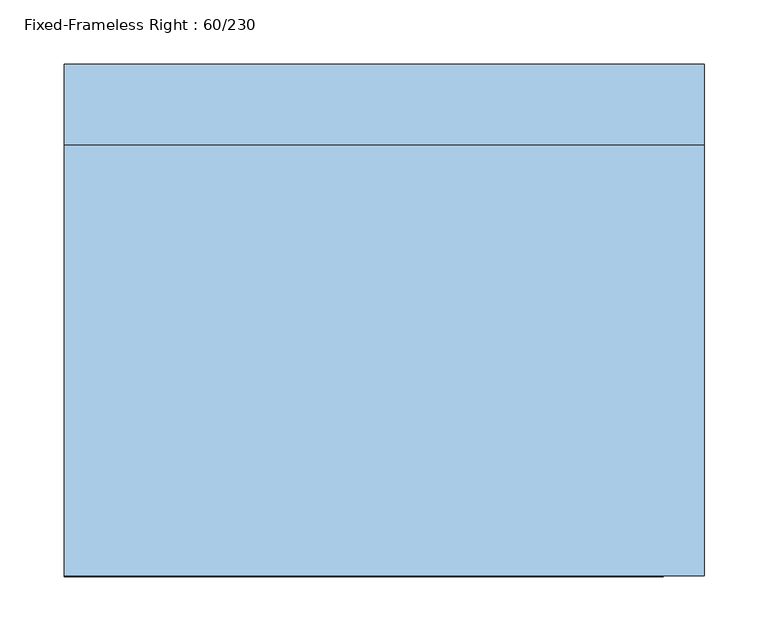
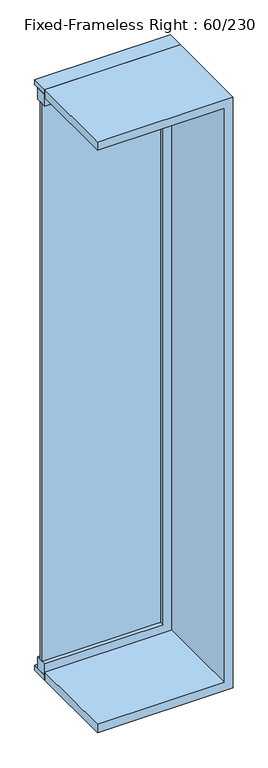
"""IFC4 building model written with IfcOpenShell, lengths in millimetres: window geometry, Fixed-Frameless Right : 60/230."""

from ifc_helpers import new_model, si_unit, frame, origin, place, context, project, spatial, polyline, outline, extrude, source, transform, mapped, element, save


def fixed_frameless_right_60_230_7998acf6(model_context):
    return source(origin(), model_context, "Body", "SweptSolid", [
        extrude(outline(polyline([(148.4, 152.375), (-288.1, 152.375), (-288.1, 165.075), (148.4, 165.075), (148.4, 152.375)])), frame((0.0, 0.0, 977.9), z_axis=(0.0, 0.0, 1.0), x_axis=(1.0, 0.0, 0.0)), (0.0, 0.0, 1.0), 2173.0),
        extrude(outline(polyline([(3195.35, -288.1), (3150.9, -288.1), (3150.9, 148.4), (977.9, 148.4), (977.9, -288.1), (933.45, -288.1), (933.45, 192.85), (3195.35, 192.85), (3195.35, -288.1)])), frame((0.0, 136.5, 0.0), z_axis=(0.0, 1.0, 0.0), x_axis=(0.0, 0.0, 1.0)), (0.0, 0.0, 1.0), 44.45),
        extrude(outline(polyline([(3214.4, -288.1), (3182.65, -288.1), (3182.65, 180.15), (946.15, 180.15), (946.15, -288.1), (914.4, -288.1), (914.4, 211.9), (3214.4, 211.9), (3214.4, -288.1)])), frame((0.0, -200.0, 0.0), z_axis=(0.0, 1.0, 0.0), x_axis=(0.0, 0.0, 1.0)), (0.0, 0.0, 1.0), 336.5),
        extrude(outline(polyline([(3214.4, 211.9), (3214.4, -288.1), (3195.35, -288.1), (3195.35, 192.85), (933.45, 192.85), (933.45, -288.1), (914.4, -288.1), (914.4, 211.9), (3214.4, 211.9)])), frame((0.0, 136.5, 0.0), z_axis=(0.0, 1.0, 0.0), x_axis=(0.0, 0.0, 1.0)), (0.0, 0.0, 1.0), 63.5),
    ])


if __name__ == "__main__":
    model = new_model("IFC4")
    model_context = context("Model", 3, world=origin())
    ifc_project = project(units=[si_unit("LENGTHUNIT", "METRE", prefix="MILLI")], contexts=[model_context])
    site = spatial("IfcSite", under=ifc_project)
    building = spatial("IfcBuilding", under=site)
    placement = place(None, origin())
    fixed_frameless_right_60_230_shape = fixed_frameless_right_60_230_7998acf6(model_context)
    element("IfcWindow", 1, ObjectType="Fixed-Frameless Right : 60/230", at=placement, inside=building, context=model_context, shape_type="MappedRepresentation", body=[
        mapped(fixed_frameless_right_60_230_shape, transform((0.0, 0.0, 0.0), x_axis=(1.0, 0.0, 0.0), y_axis=(0.0, 1.0, 0.0), z_axis=(0.0, 0.0, 1.0))),
    ])
    save(model, "model.ifc")
